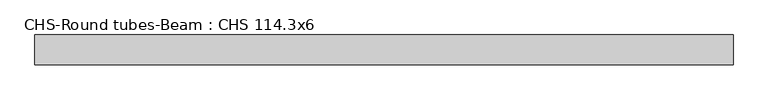
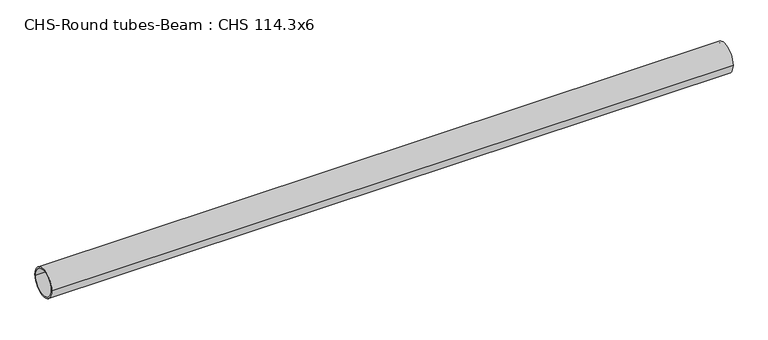
"""IFC4 building model written with IfcOpenShell, lengths in millimetres: beam geometry, CHS-Round tubes-Beam : CHS 114.3x6."""

from ifc_helpers import new_model, si_unit, point, frame, origin, origin_2d, place, context, project, spatial, circle_curve, trimmed, segment, composite_curve, outline, extrude, source, transform, mapped, element, save


def chs_round_tubes_beam_chs_114_3x6_7b673c13(model_context):
    return source(origin(), model_context, "Body", "SweptSolid", [
        extrude(outline(composite_curve([segment(trimmed(circle_curve(origin_2d(), 57.15), [point((57.15, 0.0))], [point((-57.15, 0.0))], False, "CARTESIAN"), True, "CONTINUOUS"), segment(trimmed(circle_curve(origin_2d(), 57.15), [point((-57.15, 0.0))], [point((57.15, 0.0))], False, "CARTESIAN"), True, "CONTINUOUS")], self_intersect=False), holes=[composite_curve([segment(trimmed(circle_curve(origin_2d(), 51.15), [point((51.15, 0.0))], [point((-51.15, 0.0))], True, "CARTESIAN"), True, "CONTINUOUS"), segment(trimmed(circle_curve(origin_2d(), 51.15), [point((-51.15, 0.0))], [point((51.15, 0.0))], True, "CARTESIAN"), True, "CONTINUOUS")], self_intersect=False)]), frame((-1269.9487241, 0.0, 0.0), z_axis=(1.0, 0.0, 0.0), x_axis=(0.0, 1.0, 0.0)), (0.0, 0.0, 1.0), 2679.550882),
    ])


if __name__ == "__main__":
    model = new_model("IFC4")
    model_context = context("Model", 3, world=origin())
    ifc_project = project(units=[si_unit("LENGTHUNIT", "METRE", prefix="MILLI")], contexts=[model_context])
    site = spatial("IfcSite", under=ifc_project)
    building = spatial("IfcBuilding", under=site)
    placement = place(None, origin())
    chs_round_tubes_beam_chs_114_3x6_shape = chs_round_tubes_beam_chs_114_3x6_7b673c13(model_context)
    element("IfcBeam", 1, ObjectType="CHS-Round tubes-Beam : CHS 114.3x6", at=placement, inside=building, context=model_context, shape_type="MappedRepresentation", body=[
        mapped(chs_round_tubes_beam_chs_114_3x6_shape, transform((0.0, 0.0, 0.0), x_axis=(1.0, 0.0, 0.0), y_axis=(0.0, 1.0, 0.0), z_axis=(0.0, 0.0, 1.0))),
    ])
    save(model, "model.ifc")
